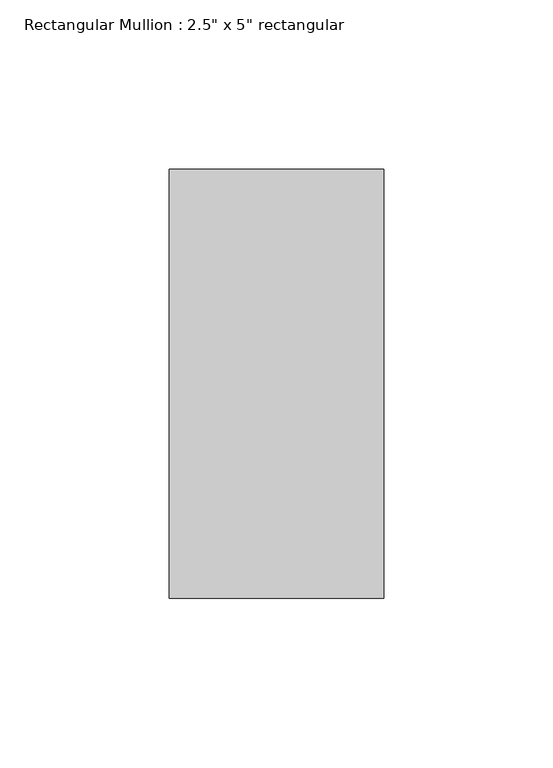
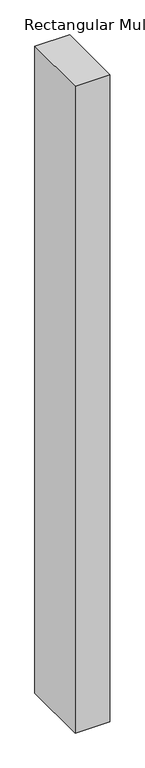
"""IFC4 building model written with IfcOpenShell, lengths in millimetres: member geometry."""

from ifc_helpers import new_model, si_unit, frame, origin, place, context, project, spatial, polyline, outline, extrude, source, transform, mapped, element, save


def member_7f130a21(model_context):
    return source(origin(), model_context, "Body", "SweptSolid", [
        extrude(outline(polyline([(0.0, 63.5), (0.0, -63.5), (-63.5, -63.5), (-63.5, 63.5), (0.0, 63.5)])), frame((0.0, 0.0, -1247.8045452), z_axis=(0.0, 0.0, 1.0), x_axis=(1.0, 0.0, 0.0)), (0.0, 0.0, 1.0), 1247.8045452),
    ])


if __name__ == "__main__":
    model = new_model("IFC4")
    model_context = context("Model", 3, world=origin())
    ifc_project = project(units=[si_unit("LENGTHUNIT", "METRE", prefix="MILLI")], contexts=[model_context])
    site = spatial("IfcSite", under=ifc_project)
    building = spatial("IfcBuilding", under=site)
    placement = place(None, origin())
    member_shape = member_7f130a21(model_context)
    element("IfcMember", 1, ObjectType="Rectangular Mullion : 2.5\" x 5\" rectangular", at=placement, inside=building, context=model_context, shape_type="MappedRepresentation", body=[
        mapped(member_shape, transform((0.0, 0.0, 0.0), x_axis=(1.0, 0.0, 0.0), y_axis=(0.0, 1.0, 0.0), z_axis=(0.0, 0.0, 1.0))),
    ])
    save(model, "model.ifc")
